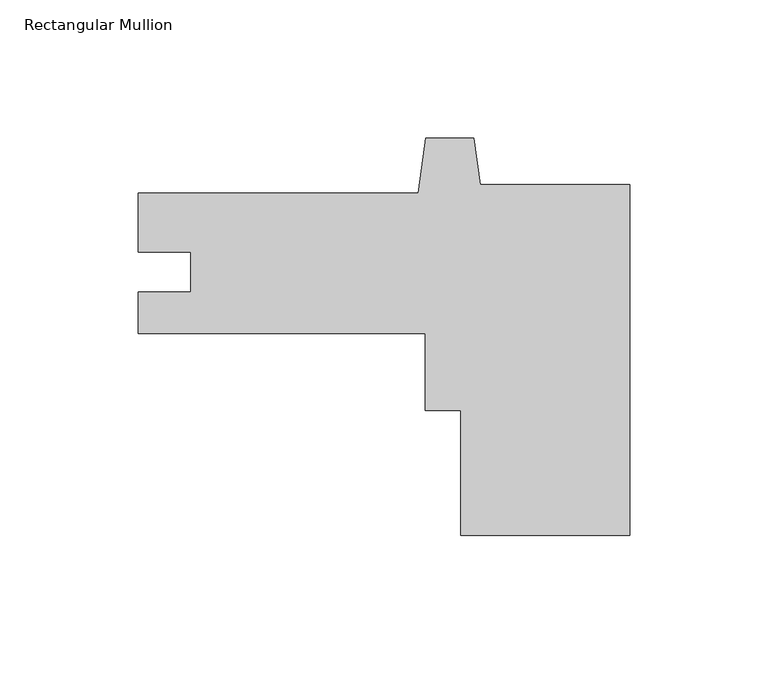
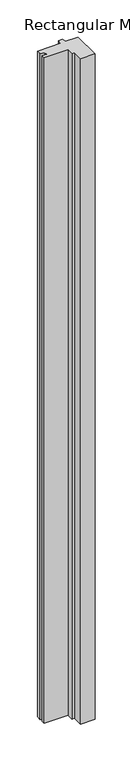
"""IFC4 building model written with IfcOpenShell, lengths in millimetres: member geometry, Rectangular Mullion."""

from ifc_helpers import new_model, si_unit, frame, origin, place, context, project, spatial, polyline, outline, extrude, source, transform, mapped, element, save


def rectangular_mullion_0f31185b(model_context):
    return source(origin(), model_context, "Body", "SweptSolid", [
        extrude(outline(polyline([(-61.214, -72.8185332), (-61.214, -27.5227756), (-73.914, -27.5227756), (-73.914, 0.2068048), (-177.7867607, 0.2068048), (-177.7867607, 15.3071048), (-158.7621607, 15.3071048), (-158.7621607, 29.6579288), (-177.7867594, 29.6579288), (-177.7867594, 51.0068048), (-76.5269077, 51.0068048), (-73.7211412, 70.9708706), (-56.4273776, 70.9708706), (-54.0677808, 54.1814668), (0.0, 54.1814668), (0.0, -72.8185332), (-61.214, -72.8185332)])), frame((0.0, 0.0, -3048.0), z_axis=(0.0, 0.0, 1.0), x_axis=(1.0, 0.0, 0.0)), (0.0, 0.0, 1.0), 3048.0),
    ])


if __name__ == "__main__":
    model = new_model("IFC4")
    model_context = context("Model", 3, world=origin())
    ifc_project = project(units=[si_unit("LENGTHUNIT", "METRE", prefix="MILLI")], contexts=[model_context])
    site = spatial("IfcSite", under=ifc_project)
    building = spatial("IfcBuilding", under=site)
    placement = place(None, origin())
    rectangular_mullion_shape = rectangular_mullion_0f31185b(model_context)
    element("IfcMember", 1, ObjectType="Rectangular Mullion", at=placement, inside=building, context=model_context, shape_type="MappedRepresentation", body=[
        mapped(rectangular_mullion_shape, transform((0.0, 0.0, 0.0), x_axis=(1.0, 0.0, 0.0), y_axis=(0.0, 1.0, 0.0), z_axis=(0.0, 0.0, 1.0))),
    ])
    save(model, "model.ifc")
